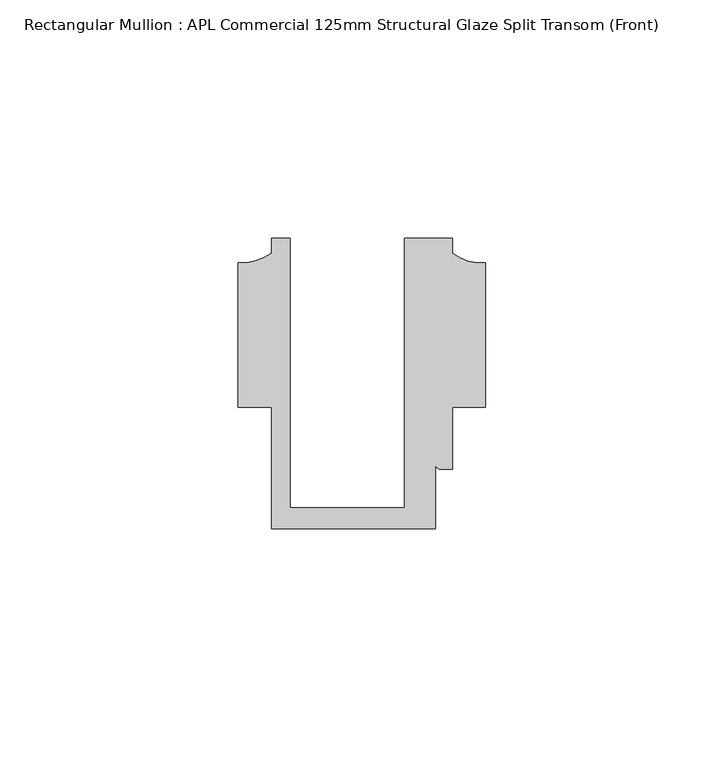
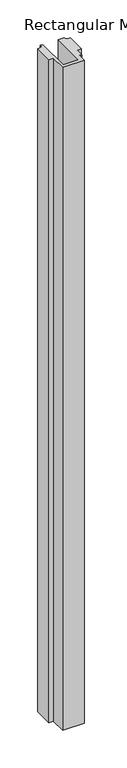
"""IFC4 building model written with IfcOpenShell, lengths in millimetres: member geometry, Rectangular Mullion : APL Commercial 125mm Structural Glaze Split Transom (Front)."""

import ifcopenshell
import ifcopenshell.guid

model = None  # the IFC model being written
_history = None  # IfcOwnerHistory: only IFC2X3 demands one
_inside = {}  # id of a spatial element -> (the spatial element, [elements in it])
_under = {}  # id of a project, library or spatial element -> (it, [spatial elements below it])
_declared = {}  # id of a project -> (the project, [libraries it declares])
_typed = {}  # id of a type object -> (the type object, [elements of that type])
_made_of = {}  # id of a material, layer set ... -> (it, [elements and type objects made of it])


def new_model(schema):
    """Start an empty IFC model of exactly this schema.

    Asked for "IFC4X3", IfcOpenShell would pick the latest addendum, in which some entities
    have other attributes; the version numbers below select the first issue.
    IFC2X3 requires an IfcOwnerHistory on every rooted entity: one is made here for all.
    """
    global model, _history
    if schema == "IFC4X3":
        model = ifcopenshell.file(schema_version=(4, 3, 0, 0))
    else:
        model = ifcopenshell.file(schema=schema)
    _inside.clear()
    _under.clear()
    _declared.clear()
    _typed.clear()
    _made_of.clear()
    _history = None
    if model.schema == "IFC2X3":
        org = make("IfcOrganization", Name="unknown")
        user = make(
            "IfcPersonAndOrganization",
            ThePerson=make("IfcPerson", FamilyName="unknown"),
            TheOrganization=org,
        )
        app = make(
            "IfcApplication",
            ApplicationDeveloper=org,
            Version="unknown",
            ApplicationFullName="unknown",
            ApplicationIdentifier="unknown",
        )
        _history = make(
            "IfcOwnerHistory",
            OwningUser=user,
            OwningApplication=app,
            ChangeAction="ADDED",
            CreationDate=0,
        )
    return model


def make(cls, **values):
    """One entity of the class cls with the attributes given. An attribute that is None is left unset."""
    return model.create_entity(
        cls, **{name: value for name, value in values.items() if value is not None}
    )


def rooted(cls, **values):
    """An entity with a GlobalId (a new one), such as an element, a storey or a relation."""
    return make(cls, GlobalId=ifcopenshell.guid.new(), OwnerHistory=_history, **values)


def si_unit(unit_type, name, prefix=None):
    """IfcSIUnit, for example si_unit("LENGTHUNIT", "METRE", prefix="MILLI")."""
    return make("IfcSIUnit", UnitType=unit_type, Prefix=prefix, Name=name)


def assignment(units):
    """IfcUnitAssignment: the units of a project."""
    return None if units is None else make("IfcUnitAssignment", Units=units)


def point(xyz):
    """IfcCartesianPoint."""
    return None if xyz is None else make("IfcCartesianPoint", Coordinates=xyz)


def direction(xyz):
    """IfcDirection."""
    return None if xyz is None else make("IfcDirection", DirectionRatios=xyz)


def frame(location, z_axis=None, x_axis=None):
    """IfcAxis2Placement3D, a coordinate frame: its origin and axes. An axis left out is left unset."""
    return make(
        "IfcAxis2Placement3D",
        Location=point(location),
        Axis=direction(z_axis),
        RefDirection=direction(x_axis),
    )


def frame_2d(location, x_axis=None):
    """IfcAxis2Placement2D, a coordinate frame in the plane: its origin and x axis."""
    return make(
        "IfcAxis2Placement2D", Location=point(location), RefDirection=direction(x_axis)
    )


def origin():
    """The frame at (0, 0, 0) with its axes left unset."""
    return frame((0.0, 0.0, 0.0))


def place(relative_to, where):
    """IfcLocalPlacement: puts the frame where relative to a parent placement (None: the world)."""
    return make(
        "IfcLocalPlacement", PlacementRelTo=relative_to, RelativePlacement=where
    )


def context(
    kind, dimensions, precision=None, world=None, true_north=None, identifier=None
):
    """IfcGeometricRepresentationContext, for example the 3D "Model" context."""
    return make(
        "IfcGeometricRepresentationContext",
        ContextIdentifier=identifier,
        ContextType=kind,
        CoordinateSpaceDimension=dimensions,
        Precision=precision,
        WorldCoordinateSystem=world,
        TrueNorth=true_north,
    )


def project(units=None, contexts=None):
    """IfcProject with its units and contexts."""
    return rooted(
        "IfcProject",
        Name="project",
        RepresentationContexts=contexts,
        UnitsInContext=assignment(units),
    )


def spatial(cls, under=None, at=None, **own):
    """A site, building, storey or space (cls), placed at a placement, below another one or the project."""
    s = rooted(cls, ObjectPlacement=at, **own)
    if under is not None:
        _under.setdefault(under.id(), (under, []))[1].append(s)
    return s


def polyline(points):
    """IfcPolyline through the points."""
    return make("IfcPolyline", Points=[point(p) for p in points])


def circle_curve(where, radius):
    """IfcCircle in the frame where."""
    return make("IfcCircle", Position=where, Radius=radius)


def trimmed(basis, trim1, trim2, sense, master):
    """IfcTrimmedCurve: the piece of a basis curve between two trims."""
    return make(
        "IfcTrimmedCurve",
        BasisCurve=basis,
        Trim1=trim1,
        Trim2=trim2,
        SenseAgreement=sense,
        MasterRepresentation=master,
    )


def segment(curve, same_sense, transition):
    """IfcCompositeCurveSegment."""
    return make(
        "IfcCompositeCurveSegment",
        Transition=transition,
        SameSense=same_sense,
        ParentCurve=curve,
    )


def composite_curve(segments, self_intersect=None):
    """IfcCompositeCurve: segments joined end to end."""
    return make("IfcCompositeCurve", Segments=segments, SelfIntersect=self_intersect)


def outline(outer, holes=None, kind="AREA"):
    """IfcArbitraryClosedProfileDef: a profile drawn as a closed curve; with holes, ...WithVoids."""
    if holes is None:
        return make("IfcArbitraryClosedProfileDef", ProfileType=kind, OuterCurve=outer)
    return make(
        "IfcArbitraryProfileDefWithVoids",
        ProfileType=kind,
        OuterCurve=outer,
        InnerCurves=holes,
    )


def extrude(swept, where, along, depth):
    """IfcExtrudedAreaSolid: the profile swept, set in the frame where, extruded along a direction by depth."""
    return make(
        "IfcExtrudedAreaSolid",
        SweptArea=swept,
        Position=where,
        ExtrudedDirection=direction(along),
        Depth=depth,
    )


def shape(context_of_items, identifier, shape_type, items):
    """IfcShapeRepresentation: the items that make up one representation, for example the "Body"."""
    return make(
        "IfcShapeRepresentation",
        ContextOfItems=context_of_items,
        RepresentationIdentifier=identifier,
        RepresentationType=shape_type,
        Items=items,
    )


def source(mapping_origin, context_of_items, identifier, shape_type, items):
    """IfcRepresentationMap: a shape defined once, which mapped items show again and again."""
    return make(
        "IfcRepresentationMap",
        MappingOrigin=mapping_origin,
        MappedRepresentation=shape(context_of_items, identifier, shape_type, items),
    )


def transform(
    local_origin,
    x_axis=None,
    y_axis=None,
    z_axis=None,
    scale=None,
    scale2=None,
    scale3=None,
    uniform=True,
):
    """IfcCartesianTransformationOperator3D, or its non-uniform kind. x_axis, y_axis, z_axis: its Axis1, 2, 3."""
    if uniform:
        return make(
            "IfcCartesianTransformationOperator3D",
            Axis1=direction(x_axis),
            Axis2=direction(y_axis),
            LocalOrigin=point(local_origin),
            Scale=scale,
            Axis3=direction(z_axis),
        )
    return make(
        "IfcCartesianTransformationOperator3DnonUniform",
        Axis1=direction(x_axis),
        Axis2=direction(y_axis),
        LocalOrigin=point(local_origin),
        Scale=scale,
        Axis3=direction(z_axis),
        Scale2=scale2,
        Scale3=scale3,
    )


def mapped(mapping_source, mapping_target):
    """IfcMappedItem: shows the shape of a source again, moved by a transform."""
    return make(
        "IfcMappedItem", MappingSource=mapping_source, MappingTarget=mapping_target
    )


def made_of(thing, what):
    """Note that an element or type object is made of a material, layer set ...; save() writes the relation."""
    if what is not None:
        _made_of.setdefault(what.id(), (what, []))[1].append(thing)
    return thing


def element(
    cls,
    number,
    at=None,
    inside=None,
    cuts=None,
    type_object=None,
    material=None,
    context=None,
    identifier="Body",
    shape_type=None,
    held_by="IfcProductDefinitionShape",
    body=None,
    shapes=None,
    **own,
):
    """One element of the class cls, such as IfcWall. Its Tag is "e" and its number.

    at: its placement. inside: the storey or other place that contains it. cuts: it is an
    opening in that element (IfcRelVoidsElement). A single representation is given by context,
    identifier, shape_type and body (its items); several are given by shapes. held_by: the class
    of the entity that holds the representations. save() writes the other relations.
    """
    e = rooted(cls, Tag="e%d" % number, ObjectPlacement=at, **own)
    if body is not None:
        shapes = [shape(context, identifier, shape_type, body)]
    if shapes is not None:
        e.Representation = make(held_by, Representations=shapes)
    if inside is not None:
        _inside.setdefault(inside.id(), (inside, []))[1].append(e)
    if cuts is not None:
        rooted(
            "IfcRelVoidsElement", RelatingBuildingElement=cuts, RelatedOpeningElement=e
        )
    if type_object is not None:
        _typed.setdefault(type_object.id(), (type_object, []))[1].append(e)
    return made_of(e, material)


def aggregate(whole, parts):
    """IfcRelAggregates: a whole, such as a stair, and the parts it consists of."""
    return rooted("IfcRelAggregates", RelatingObject=whole, RelatedObjects=parts)


def save(model, path):
    """Write the relations noted so far, then the file.

    IfcRelAggregates (storeys below a building ...), IfcRelContainedInSpatialStructure (elements
    in a storey), IfcRelDefinesByType, IfcRelAssociatesMaterial and IfcRelDeclares: one each for
    every whole, place, type object, material and project.
    """
    for whole, parts in _under.values():
        aggregate(whole, parts)
    for where, things in _inside.values():
        rooted(
            "IfcRelContainedInSpatialStructure",
            RelatedElements=things,
            RelatingStructure=where,
        )
    for kind, things in _typed.values():
        rooted("IfcRelDefinesByType", RelatedObjects=things, RelatingType=kind)
    for what, things in _made_of.values():
        rooted("IfcRelAssociatesMaterial", RelatedObjects=things, RelatingMaterial=what)
    for by, libraries in _declared.values():
        rooted("IfcRelDeclares", RelatingContext=by, RelatedDefinitions=libraries)
    model.write(path)


def rectangular_mullion_apl_commercial_125mm_structural_glaze_6851acc4(model_context):
    return source(origin(), model_context, "Body", "SweptSolid", [
        extrude(outline(composite_curve([segment(polyline([(-24.0309529, 20.5), (-24.0309529, -36.1008577), (0.0, -36.1008577), (0.0, 20.5), (10.0000029, 20.5), (10.0000029, 17.3121423)]), True, "CONTINUOUS"), segment(trimmed(circle_curve(frame_2d((16.1098048, 25.7978024)), 10.4563907), [point((10.0000029, 17.3121423))], [point((16.999942, 15.3793686))], True, "CARTESIAN"), True, "CONTINUOUS"), segment(polyline([(16.999942, 15.3793686), (16.999942, -15.0004617), (10.0000029, -15.0004617), (10.0000029, -28.0002131), (7.5000029, -28.0002131)]), True, "CONTINUOUS"), segment(trimmed(circle_curve(frame_2d((7.5000029, -27.0002131)), 1.0), [point((7.5000029, -28.0002131))], [point((6.5000029, -27.0002131))], False, "CARTESIAN"), True, "CONTINUOUS"), segment(polyline([(6.5000029, -27.0002131), (6.5000029, -40.499932), (-28.0000482, -40.499932), (-28.0000482, -15.001276), (-34.9999873, -15.001276), (-34.9999873, 15.3795682)]), True, "CONTINUOUS"), segment(trimmed(circle_curve(frame_2d((-34.10985, 25.7980019)), 10.4563907), [point((-34.9999873, 15.3795682))], [point((-28.0000482, 17.3123419))], True, "CARTESIAN"), True, "CONTINUOUS"), segment(polyline([(-28.0000482, 17.3123419), (-28.0000482, 20.5), (-24.0309529, 20.5)]), True, "CONTINUOUS")], self_intersect=False)), frame((0.0, 0.0, -1120.7655746), z_axis=(0.0, 0.0, 1.0), x_axis=(1.0, 0.0, 0.0)), (0.0, 0.0, 1.0), 1120.7655746),
    ])


if __name__ == "__main__":
    model = new_model("IFC4")
    model_context = context("Model", 3, world=origin())
    ifc_project = project(units=[si_unit("LENGTHUNIT", "METRE", prefix="MILLI")], contexts=[model_context])
    site = spatial("IfcSite", under=ifc_project)
    building = spatial("IfcBuilding", under=site)
    placement = place(None, origin())
    rectangular_mullion_apl_commercial_125mm_structural_glaze_shape = rectangular_mullion_apl_commercial_125mm_structural_glaze_6851acc4(model_context)
    element("IfcMember", 1, ObjectType="Rectangular Mullion : APL Commercial 125mm Structural Glaze Split Transom (Front)", at=placement, inside=building, context=model_context, shape_type="MappedRepresentation", body=[
        mapped(rectangular_mullion_apl_commercial_125mm_structural_glaze_shape, transform((0.0, 0.0, 0.0), x_axis=(1.0, 0.0, 0.0), y_axis=(0.0, 1.0, 0.0), z_axis=(0.0, 0.0, 1.0))),
    ])
    save(model, "model.ifc")
